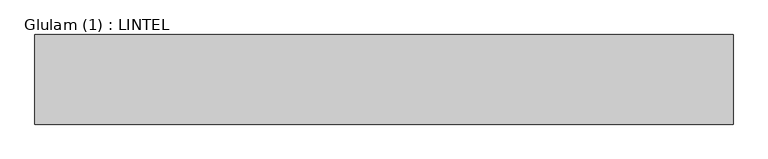
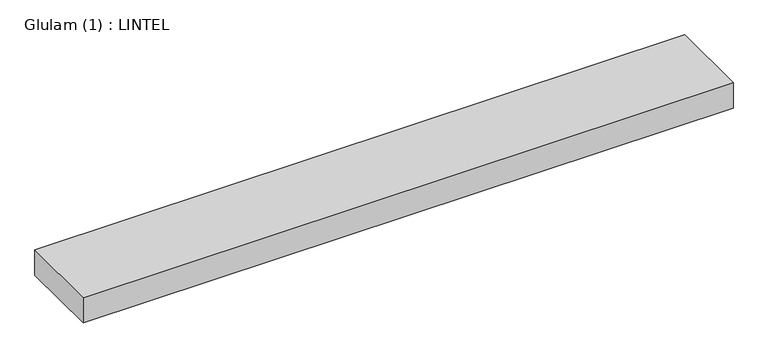
"""IFC4 building model written with IfcOpenShell, lengths in millimetres: beam geometry, Glulam (1) : LINTEL."""

from ifc_helpers import new_model, si_unit, frame, origin, place, context, project, spatial, polyline, outline, extrude, source, transform, mapped, element, save


def glulam_1_lintel_35635701(model_context):
    return source(origin(), model_context, "Body", "SweptSolid", [
        extrude(outline(polyline([(559.0, 70.0), (559.0, -70.0), (-531.0, -70.0), (-531.0, 70.0), (559.0, 70.0)])), frame((0.0, 0.0, -22.5), z_axis=(0.0, 0.0, 1.0), x_axis=(1.0, 0.0, 0.0)), (0.0, 0.0, 1.0), 45.0),
    ])


if __name__ == "__main__":
    model = new_model("IFC4")
    model_context = context("Model", 3, world=origin())
    ifc_project = project(units=[si_unit("LENGTHUNIT", "METRE", prefix="MILLI")], contexts=[model_context])
    site = spatial("IfcSite", under=ifc_project)
    building = spatial("IfcBuilding", under=site)
    placement = place(None, origin())
    glulam_1_lintel_shape = glulam_1_lintel_35635701(model_context)
    element("IfcBeam", 1, ObjectType="Glulam (1) : LINTEL", at=placement, inside=building, context=model_context, shape_type="MappedRepresentation", body=[
        mapped(glulam_1_lintel_shape, transform((0.0, 0.0, 0.0), x_axis=(1.0, 0.0, 0.0), y_axis=(0.0, 1.0, 0.0), z_axis=(0.0, 0.0, 1.0))),
    ])
    save(model, "model.ifc")
